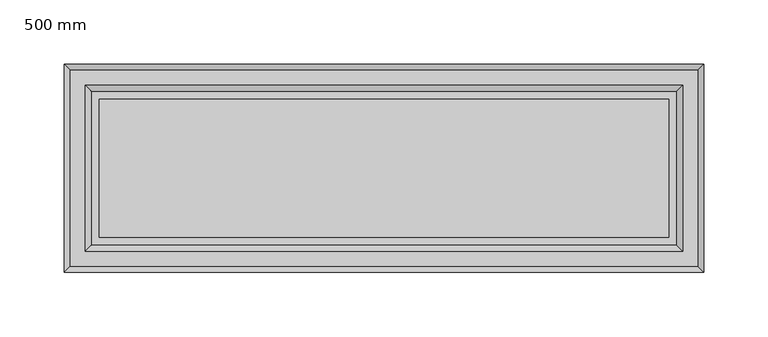
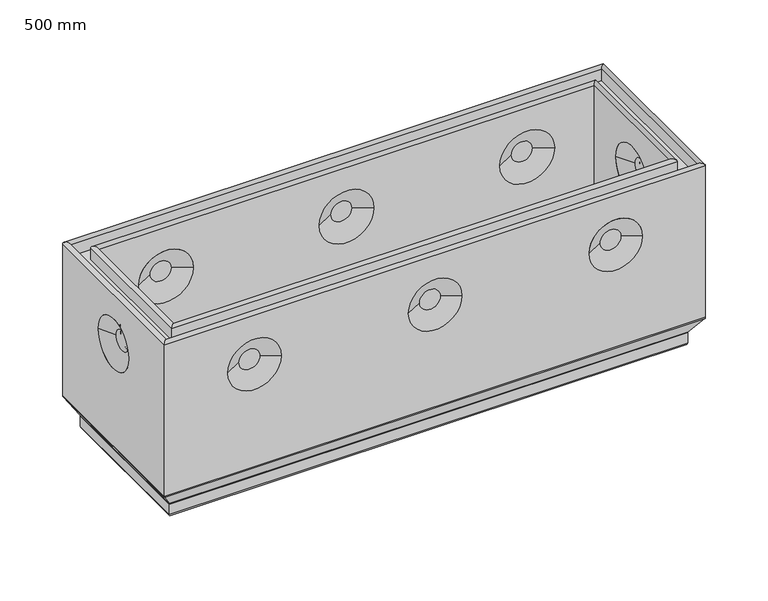
"""IFC4 building model written with IfcOpenShell, lengths in millimetres: proxy geometry, 500 mm."""

from ifc_helpers import new_model, si_unit, frame, origin, place, context, project, spatial, polyline, circle_curve, ellipse_curve, outline, extrude, source, transform, mapped, element, save
from ifc_brep_helpers import plane_surface, cylinder_surface, revolved_surface, advanced_brep


def proxy_500_mm_c5fd5a8e(model_context):
    return source(origin(), model_context, "Body", "SolidModel", [
        advanced_brep(
        [(471.9583184, 53.5563946, 0.0), (471.9583184, 53.5563946, -18.8303869), (471.9583184, -53.9583184, -18.8303869), (471.9583184, -53.9583184, 0.0), (478.4019238, 60.0, 159.4090799), (478.4019238, 60.0, 0.0), (478.4019238, -60.4019238, 0.0), (478.4019238, -60.4019238, 159.4090799), (478.4019238, -25.4516455, 111.3137619), (478.4019238, 25.0497217, 111.3137619), (482.9119238, -64.9119238, 159.4090799), (482.9119238, 64.51, 159.4090799), (482.9119238, -64.9119238, 148.4640799), (482.9119238, 64.51, 148.4640799), (494.8919238, 76.49, 159.4094667), (494.8919238, 76.49, 148.4640799), (494.8919238, -76.8919238, 148.4640799), (494.8919238, -76.8919238, 159.4094667), (499.4019238, -81.4019238, 159.4094667), (499.4019238, 81.0, 159.4094667), (499.4019238, -81.4019238, 11.767597), (499.4019238, 81.0, 11.767597), (499.4019238, 24.1333103, 111.3137619), (499.4019238, -24.5352341, 111.3137619), (498.9320981, -80.9320981, 10.1556982), (498.9320981, 80.5301743, 10.1556982), (489.1932312, -71.1932312, -5.1312607), (489.1932312, 70.7913074, -5.1312607), (488.9583184, -70.9583184, -5.9372101), (488.9583184, 70.5563946, -5.9372101), (488.9583184, -70.9583184, -15.8303869), (488.9583184, 70.5563946, -15.8303869), (485.9583184, -67.9583184, -18.8303869), (485.9583184, 67.5563946, -18.8303869), (28.0416816, -53.9583184, -18.8303869), (28.0416816, -53.9583184, 0.0), (21.5980762, -60.4019238, 0.0), (21.5980762, -60.4019238, 159.4090799), (59.2359715, -60.4019238, 111.3137619), (108.2640285, -60.4019238, 111.3137619), (225.7359715, -60.4019238, 111.3137619), (274.7640285, -60.4019238, 111.3137619), (392.2359715, -60.4019238, 111.3137619), (441.2640285, -60.4019238, 111.3137619), (17.0880762, -64.9119238, 159.4090799), (17.0880762, -64.9119238, 148.4640799), (5.1080762, -76.8919238, 148.4640799), (5.1080762, -76.8919238, 159.4094667), (0.5980762, -81.4019238, 159.4094667), (0.5980762, -81.4019238, 11.767597), (108.3627216, -81.4019238, 111.3137619), (59.1372784, -81.4019238, 111.3137619), (274.8627216, -81.4019238, 111.3137619), (225.6372784, -81.4019238, 111.3137619), (441.3627216, -81.4019238, 111.3137619), (392.1372784, -81.4019238, 111.3137619), (1.0679019, -80.9320981, 10.1556982), (10.8067688, -71.1932312, -5.1312607), (11.0416816, -70.9583184, -5.9372101), (11.0416816, -70.9583184, -15.8303869), (14.0416816, -67.9583184, -18.8303869), (28.0416816, 53.5563946, -18.8303869), (28.0416816, 53.5563946, 0.0), (21.5980762, 60.0, 0.0), (21.5980762, 60.0, 159.4090799), (21.5980762, 25.0497217, 111.3137619), (21.5980762, -25.4516455, 111.3137619), (17.0880762, 64.51, 159.4090799), (17.0880762, 64.51, 148.4640799), (5.1080762, 76.49, 148.4640799), (5.1080762, 76.49, 159.4094667), (0.5980762, 81.0, 159.4094667), (0.5980762, 81.0, 11.767597), (0.5980762, -24.5352341, 111.3137619), (0.5980762, 24.1333103, 111.3137619), (1.0679019, 80.5301743, 10.1556982), (10.8067688, 70.7913074, -5.1312607), (11.0416816, 70.5563946, -5.9372101), (11.0416816, 70.5563946, -15.8303869), (14.0416816, 67.5563946, -18.8303869), (109.0006836, 60.0, 111.3137619), (58.4993164, 60.0, 111.3137619), (275.5006836, 60.0, 111.3137619), (224.9993164, 60.0, 111.3137619), (442.0006836, 60.0, 111.3137619), (391.4993164, 60.0, 111.3137619), (59.4157278, 81.0, 111.3137619), (108.0842722, 81.0, 111.3137619), (225.9157278, 81.0, 111.3137619), (274.5842722, 81.0, 111.3137619), (392.4157278, 81.0, 111.3137619), (441.0842722, 81.0, 111.3137619), (74.1699511, 72.95, 111.3137619), (93.3300489, 72.95, 111.3137619), (74.1699511, -68.55, 111.3137619), (93.3300489, -68.55, 111.3137619), (240.6699511, 72.95, 111.3137619), (259.8300489, 72.95, 111.3137619), (240.6699511, -68.55, 111.3137619), (259.8300489, -68.55, 111.3137619), (407.1699511, 72.95, 111.3137619), (426.3300489, 72.95, 111.3137619), (407.1699511, -68.55, 111.3137619), (426.3300489, -68.55, 111.3137619), (74.1699511, 68.55, 111.3137619), (93.3300489, 68.55, 111.3137619), (240.6699511, 68.55, 111.3137619), (259.8300489, 68.55, 111.3137619), (407.1699511, 68.55, 111.3137619), (426.3300489, 68.55, 111.3137619), (74.1699511, -73.2, 111.3137619), (93.3300489, -73.2, 111.3137619), (240.6699511, -73.2, 111.3137619), (259.8300489, -73.2, 111.3137619), (407.1699511, -73.2, 111.3137619), (426.3300489, -73.2, 111.3137619), (8.6480762, -9.7810108, 111.3137619), (8.6480762, 9.379087, 111.3137619), (13.0480762, -9.7810108, 111.3137619), (13.0480762, 9.379087, 111.3137619), (491.3519238, -9.7810108, 111.3137619), (491.3519238, 9.379087, 111.3137619), (486.9519238, -9.7810108, 111.3137619), (486.9519238, 9.379087, 111.3137619)],
        [
            (0, 1),
            (1, 2),
            (2, 3),
            (3, 0),
            (4, 5),
            (5, 6),
            (6, 7),
            (7, 4),
            (8, 9, circle_curve(frame((478.4019238, -0.2009619, 111.3137619), z_axis=(1.0, 0.0, 0.0), x_axis=(0.0, 1.0, 0.0)), 25.2506836)),
            (9, 8, circle_curve(frame((478.4019238, -0.2009619, 111.3137619), z_axis=(1.0, 0.0, 0.0), x_axis=(0.0, -1.0, 0.0)), 25.2506836)),
            (7, 10, ellipse_curve(frame((480.6569238, -62.6569238, 159.4090799), z_axis=(0.7071067811865475, 0.7071067811865475, 0.0), x_axis=(-0.7071067811865474, 0.7071067811865476, 0.0)), 3.1890516, 2.255)),
            (10, 11),
            (11, 4, ellipse_curve(frame((480.6569238, 62.255, 159.4090799), z_axis=(0.7071067811865475, -0.7071067811865475, 0.0), x_axis=(0.7071067811865474, 0.7071067811865476, 0.0)), 3.1890516, 2.255)),
            (10, 12),
            (12, 13),
            (13, 11),
            (14, 15),
            (15, 16),
            (16, 17),
            (17, 14),
            (17, 18, ellipse_curve(frame((497.1469238, -79.1469238, 159.4094667), z_axis=(0.7071067811865475, 0.7071067811865475, 0.0), x_axis=(-0.7071067811865474, 0.7071067811865476, 0.0)), 3.1890516, 2.255)),
            (18, 19),
            (19, 14, ellipse_curve(frame((497.1469238, 78.745, 159.4094667), z_axis=(0.7071067811865475, -0.7071067811865475, 0.0), x_axis=(0.7071067811865474, 0.7071067811865476, 0.0)), 3.1890516, 2.255)),
            (18, 20),
            (20, 21),
            (21, 19),
            (22, 23, circle_curve(frame((499.4019238, -0.2009619, 111.3137619), z_axis=(-1.0, 0.0, 0.0), x_axis=(0.0, -1.0, 0.0)), 24.3342722)),
            (23, 22, circle_curve(frame((499.4019238, -0.2009619, 111.3137619), z_axis=(-1.0, 0.0, 0.0), x_axis=(0.0, 1.0, 0.0)), 24.3342722)),
            (20, 24, ellipse_curve(frame((496.4019238, -78.4019238, 11.767597), z_axis=(0.7071067811865475, 0.7071067811865475, 0.0), x_axis=(-0.7071067811865474, 0.7071067811865476, 0.0)), 4.2426407, 3.0)),
            (24, 25),
            (25, 21, ellipse_curve(frame((496.4019238, 78.0, 11.767597), z_axis=(0.7071067811865475, -0.7071067811865475, 0.0), x_axis=(0.7071067811865474, 0.7071067811865476, 0.0)), 4.2426407, 3.0)),
            (24, 26),
            (26, 27),
            (27, 25),
            (26, 28, ellipse_curve(frame((490.4583184, -72.4583184, -5.9372101), z_axis=(-0.7071067811865475, -0.7071067811865475, 0.0), x_axis=(0.7071067811865474, -0.7071067811865476, 0.0)), 2.1213203, 1.5)),
            (28, 29),
            (29, 27, ellipse_curve(frame((490.4583184, 72.0563946, -5.9372101), z_axis=(-0.7071067811865475, 0.7071067811865475, 0.0), x_axis=(-0.7071067811865474, -0.7071067811865476, 0.0)), 2.1213203, 1.5)),
            (28, 30),
            (30, 31),
            (31, 29),
            (30, 32, ellipse_curve(frame((485.9583184, -67.9583184, -15.8303869), z_axis=(0.7071067811865475, 0.7071067811865475, 0.0), x_axis=(-0.7071067811865474, 0.7071067811865476, 0.0)), 4.2426407, 3.0)),
            (32, 33),
            (33, 31, ellipse_curve(frame((485.9583184, 67.5563946, -15.8303869), z_axis=(0.7071067811865475, -0.7071067811865475, 0.0), x_axis=(0.7071067811865474, 0.7071067811865476, 0.0)), 4.2426407, 3.0)),
            (2, 34),
            (34, 35),
            (35, 3),
            (6, 36),
            (36, 37),
            (37, 7),
            (38, 39, circle_curve(frame((83.75, -60.4019238, 111.3137619), z_axis=(0.0, -1.0, 0.0), x_axis=(1.0, 0.0, 0.0)), 24.5140285)),
            (39, 38, circle_curve(frame((83.75, -60.4019238, 111.3137619), z_axis=(0.0, -1.0, 0.0), x_axis=(-1.0, 0.0, 0.0)), 24.5140285)),
            (40, 41, circle_curve(frame((250.25, -60.4019238, 111.3137619), z_axis=(0.0, -1.0, 0.0), x_axis=(1.0, 0.0, 0.0)), 24.5140285)),
            (41, 40, circle_curve(frame((250.25, -60.4019238, 111.3137619), z_axis=(0.0, -1.0, 0.0), x_axis=(-1.0, 0.0, 0.0)), 24.5140285)),
            (42, 43, circle_curve(frame((416.75, -60.4019238, 111.3137619), z_axis=(0.0, -1.0, 0.0), x_axis=(1.0, 0.0, 0.0)), 24.5140285)),
            (43, 42, circle_curve(frame((416.75, -60.4019238, 111.3137619), z_axis=(0.0, -1.0, 0.0), x_axis=(-1.0, 0.0, 0.0)), 24.5140285)),
            (37, 44, ellipse_curve(frame((19.3430762, -62.6569238, 159.4090799), z_axis=(0.7071067811865475, -0.7071067811865475, 0.0), x_axis=(0.7071067811865476, 0.7071067811865474, 0.0)), 3.1890516, 2.255)),
            (44, 10),
            (44, 45),
            (45, 12),
            (16, 46),
            (46, 47),
            (47, 17),
            (47, 48, ellipse_curve(frame((2.8530762, -79.1469238, 159.4094667), z_axis=(0.7071067811865475, -0.7071067811865475, 0.0), x_axis=(0.7071067811865476, 0.7071067811865474, 0.0)), 3.1890516, 2.255)),
            (48, 18),
            (48, 49),
            (49, 20),
            (50, 51, circle_curve(frame((83.75, -81.4019238, 111.3137619), z_axis=(0.0, 1.0, 0.0), x_axis=(-1.0, 0.0, 0.0)), 24.6127216)),
            (51, 50, circle_curve(frame((83.75, -81.4019238, 111.3137619), z_axis=(0.0, 1.0, 0.0), x_axis=(1.0, 0.0, 0.0)), 24.6127216)),
            (52, 53, circle_curve(frame((250.25, -81.4019238, 111.3137619), z_axis=(0.0, 1.0, 0.0), x_axis=(-1.0, 0.0, 0.0)), 24.6127216)),
            (53, 52, circle_curve(frame((250.25, -81.4019238, 111.3137619), z_axis=(0.0, 1.0, 0.0), x_axis=(1.0, 0.0, 0.0)), 24.6127216)),
            (54, 55, circle_curve(frame((416.75, -81.4019238, 111.3137619), z_axis=(0.0, 1.0, 0.0), x_axis=(-1.0, 0.0, 0.0)), 24.6127216)),
            (55, 54, circle_curve(frame((416.75, -81.4019238, 111.3137619), z_axis=(0.0, 1.0, 0.0), x_axis=(1.0, 0.0, 0.0)), 24.6127216)),
            (49, 56, ellipse_curve(frame((3.5980762, -78.4019238, 11.767597), z_axis=(0.7071067811865475, -0.7071067811865475, 0.0), x_axis=(0.7071067811865476, 0.7071067811865474, 0.0)), 4.2426407, 3.0)),
            (56, 24),
            (56, 57),
            (57, 26),
            (57, 58, ellipse_curve(frame((9.5416816, -72.4583184, -5.9372101), z_axis=(-0.7071067811865475, 0.7071067811865475, 0.0), x_axis=(-0.7071067811865476, -0.7071067811865474, 0.0)), 2.1213203, 1.5)),
            (58, 28),
            (58, 59),
            (59, 30),
            (59, 60, ellipse_curve(frame((14.0416816, -67.9583184, -15.8303869), z_axis=(0.7071067811865475, -0.7071067811865475, 0.0), x_axis=(0.7071067811865476, 0.7071067811865474, 0.0)), 4.2426407, 3.0)),
            (60, 32),
            (34, 61),
            (61, 62),
            (62, 35),
            (36, 63),
            (63, 64),
            (64, 37),
            (65, 66, circle_curve(frame((21.5980762, -0.2009619, 111.3137619), z_axis=(-1.0, 0.0, 0.0), x_axis=(0.0, -1.0, 0.0)), 25.2506836)),
            (66, 65, circle_curve(frame((21.5980762, -0.2009619, 111.3137619), z_axis=(-1.0, 0.0, 0.0), x_axis=(0.0, 1.0, 0.0)), 25.2506836)),
            (64, 67, ellipse_curve(frame((19.3430762, 62.255, 159.4090799), z_axis=(-0.7071067811865475, -0.7071067811865475, 0.0), x_axis=(0.7071067811865474, -0.7071067811865476, 0.0)), 3.1890516, 2.255)),
            (67, 44),
            (67, 68),
            (68, 45),
            (46, 69),
            (69, 70),
            (70, 47),
            (70, 71, ellipse_curve(frame((2.8530762, 78.745, 159.4094667), z_axis=(-0.7071067811865475, -0.7071067811865475, 0.0), x_axis=(0.7071067811865474, -0.7071067811865476, 0.0)), 3.1890516, 2.255)),
            (71, 48),
            (71, 72),
            (72, 49),
            (73, 74, circle_curve(frame((0.5980762, -0.2009619, 111.3137619), z_axis=(1.0, 0.0, 0.0), x_axis=(0.0, 1.0, 0.0)), 24.3342722)),
            (74, 73, circle_curve(frame((0.5980762, -0.2009619, 111.3137619), z_axis=(1.0, 0.0, 0.0), x_axis=(0.0, -1.0, 0.0)), 24.3342722)),
            (72, 75, ellipse_curve(frame((3.5980762, 78.0, 11.767597), z_axis=(-0.7071067811865475, -0.7071067811865475, 0.0), x_axis=(0.7071067811865474, -0.7071067811865476, 0.0)), 4.2426407, 3.0)),
            (75, 56),
            (75, 76),
            (76, 57),
            (76, 77, ellipse_curve(frame((9.5416816, 72.0563946, -5.9372101), z_axis=(0.7071067811865475, 0.7071067811865475, 0.0), x_axis=(-0.7071067811865474, 0.7071067811865476, 0.0)), 2.1213203, 1.5)),
            (77, 58),
            (77, 78),
            (78, 59),
            (78, 79, ellipse_curve(frame((14.0416816, 67.5563946, -15.8303869), z_axis=(-0.7071067811865475, -0.7071067811865475, 0.0), x_axis=(0.7071067811865474, -0.7071067811865476, 0.0)), 4.2426407, 3.0)),
            (79, 60),
            (0, 62),
            (61, 1),
            (5, 63),
            (4, 64),
            (80, 81, circle_curve(frame((83.75, 60.0, 111.3137619), z_axis=(0.0, 1.0, 0.0), x_axis=(-1.0, 0.0, 0.0)), 25.2506836)),
            (81, 80, circle_curve(frame((83.75, 60.0, 111.3137619), z_axis=(0.0, 1.0, 0.0), x_axis=(1.0, 0.0, 0.0)), 25.2506836)),
            (82, 83, circle_curve(frame((250.25, 60.0, 111.3137619), z_axis=(0.0, 1.0, 0.0), x_axis=(-1.0, 0.0, 0.0)), 25.2506836)),
            (83, 82, circle_curve(frame((250.25, 60.0, 111.3137619), z_axis=(0.0, 1.0, 0.0), x_axis=(1.0, 0.0, 0.0)), 25.2506836)),
            (84, 85, circle_curve(frame((416.75, 60.0, 111.3137619), z_axis=(0.0, 1.0, 0.0), x_axis=(-1.0, 0.0, 0.0)), 25.2506836)),
            (85, 84, circle_curve(frame((416.75, 60.0, 111.3137619), z_axis=(0.0, 1.0, 0.0), x_axis=(1.0, 0.0, 0.0)), 25.2506836)),
            (11, 67),
            (13, 68),
            (15, 69),
            (14, 70),
            (19, 71),
            (21, 72),
            (86, 87, circle_curve(frame((83.75, 81.0, 111.3137619), z_axis=(0.0, -1.0, 0.0), x_axis=(1.0, 0.0, 0.0)), 24.3342722)),
            (87, 86, circle_curve(frame((83.75, 81.0, 111.3137619), z_axis=(0.0, -1.0, 0.0), x_axis=(-1.0, 0.0, 0.0)), 24.3342722)),
            (88, 89, circle_curve(frame((250.25, 81.0, 111.3137619), z_axis=(0.0, -1.0, 0.0), x_axis=(1.0, 0.0, 0.0)), 24.3342722)),
            (89, 88, circle_curve(frame((250.25, 81.0, 111.3137619), z_axis=(0.0, -1.0, 0.0), x_axis=(-1.0, 0.0, 0.0)), 24.3342722)),
            (90, 91, circle_curve(frame((416.75, 81.0, 111.3137619), z_axis=(0.0, -1.0, 0.0), x_axis=(1.0, 0.0, 0.0)), 24.3342722)),
            (91, 90, circle_curve(frame((416.75, 81.0, 111.3137619), z_axis=(0.0, -1.0, 0.0), x_axis=(-1.0, 0.0, 0.0)), 24.3342722)),
            (25, 75),
            (27, 76),
            (29, 77),
            (31, 78),
            (33, 79),
            (92, 93, circle_curve(frame((83.75, 72.95, 111.3137619), z_axis=(0.0, 1.0, 0.0), x_axis=(-1.0, 0.0, 0.0)), 9.5800489)),
            (93, 92, circle_curve(frame((83.75, 72.95, 111.3137619), z_axis=(0.0, 1.0, 0.0), x_axis=(1.0, 0.0, 0.0)), 9.5800489)),
            (93, 87),
            (86, 92),
            (94, 95, circle_curve(frame((83.75, -68.55, 111.3137619), z_axis=(0.0, 1.0, 0.0), x_axis=(-1.0, 0.0, 0.0)), 9.5800489)),
            (95, 94, circle_curve(frame((83.75, -68.55, 111.3137619), z_axis=(0.0, 1.0, 0.0), x_axis=(1.0, 0.0, 0.0)), 9.5800489)),
            (95, 39),
            (38, 94),
            (96, 97, circle_curve(frame((250.25, 72.95, 111.3137619), z_axis=(0.0, 1.0, 0.0), x_axis=(-1.0, 0.0, 0.0)), 9.5800489)),
            (97, 96, circle_curve(frame((250.25, 72.95, 111.3137619), z_axis=(0.0, 1.0, 0.0), x_axis=(1.0, 0.0, 0.0)), 9.5800489)),
            (97, 89),
            (88, 96),
            (98, 99, circle_curve(frame((250.25, -68.55, 111.3137619), z_axis=(0.0, 1.0, 0.0), x_axis=(-1.0, 0.0, 0.0)), 9.5800489)),
            (99, 98, circle_curve(frame((250.25, -68.55, 111.3137619), z_axis=(0.0, 1.0, 0.0), x_axis=(1.0, 0.0, 0.0)), 9.5800489)),
            (99, 41),
            (40, 98),
            (100, 101, circle_curve(frame((416.75, 72.95, 111.3137619), z_axis=(0.0, 1.0, 0.0), x_axis=(-1.0, 0.0, 0.0)), 9.5800489)),
            (101, 100, circle_curve(frame((416.75, 72.95, 111.3137619), z_axis=(0.0, 1.0, 0.0), x_axis=(1.0, 0.0, 0.0)), 9.5800489)),
            (101, 91),
            (90, 100),
            (102, 103, circle_curve(frame((416.75, -68.55, 111.3137619), z_axis=(0.0, 1.0, 0.0), x_axis=(-1.0, 0.0, 0.0)), 9.5800489)),
            (103, 102, circle_curve(frame((416.75, -68.55, 111.3137619), z_axis=(0.0, 1.0, 0.0), x_axis=(1.0, 0.0, 0.0)), 9.5800489)),
            (103, 43),
            (42, 102),
            (104, 105, circle_curve(frame((83.75, 68.55, 111.3137619), z_axis=(0.0, -1.0, 0.0), x_axis=(-1.0, 0.0, 0.0)), 9.5800489)),
            (105, 104, circle_curve(frame((83.75, 68.55, 111.3137619), z_axis=(0.0, -1.0, 0.0), x_axis=(1.0, 0.0, 0.0)), 9.5800489)),
            (104, 81),
            (80, 105),
            (106, 107, circle_curve(frame((250.25, 68.55, 111.3137619), z_axis=(0.0, -1.0, 0.0), x_axis=(-1.0, 0.0, 0.0)), 9.5800489)),
            (107, 106, circle_curve(frame((250.25, 68.55, 111.3137619), z_axis=(0.0, -1.0, 0.0), x_axis=(1.0, 0.0, 0.0)), 9.5800489)),
            (106, 83),
            (82, 107),
            (108, 109, circle_curve(frame((416.75, 68.55, 111.3137619), z_axis=(0.0, -1.0, 0.0), x_axis=(-1.0, 0.0, 0.0)), 9.5800489)),
            (109, 108, circle_curve(frame((416.75, 68.55, 111.3137619), z_axis=(0.0, -1.0, 0.0), x_axis=(1.0, 0.0, 0.0)), 9.5800489)),
            (108, 85),
            (84, 109),
            (110, 111, circle_curve(frame((83.75, -73.2, 111.3137619), z_axis=(0.0, -1.0, 0.0), x_axis=(-1.0, 0.0, 0.0)), 9.5800489)),
            (111, 110, circle_curve(frame((83.75, -73.2, 111.3137619), z_axis=(0.0, -1.0, 0.0), x_axis=(1.0, 0.0, 0.0)), 9.5800489)),
            (110, 51),
            (50, 111),
            (112, 113, circle_curve(frame((250.25, -73.2, 111.3137619), z_axis=(0.0, -1.0, 0.0), x_axis=(-1.0, 0.0, 0.0)), 9.5800489)),
            (113, 112, circle_curve(frame((250.25, -73.2, 111.3137619), z_axis=(0.0, -1.0, 0.0), x_axis=(1.0, 0.0, 0.0)), 9.5800489)),
            (112, 53),
            (52, 113),
            (114, 115, circle_curve(frame((416.75, -73.2, 111.3137619), z_axis=(0.0, -1.0, 0.0), x_axis=(-1.0, 0.0, 0.0)), 9.5800489)),
            (115, 114, circle_curve(frame((416.75, -73.2, 111.3137619), z_axis=(0.0, -1.0, 0.0), x_axis=(1.0, 0.0, 0.0)), 9.5800489)),
            (114, 55),
            (54, 115),
            (116, 117, circle_curve(frame((8.6480762, -0.2009619, 111.3137619), z_axis=(-1.0, 0.0, 0.0), x_axis=(0.0, -1.0, 0.0)), 9.5800489)),
            (117, 116, circle_curve(frame((8.6480762, -0.2009619, 111.3137619), z_axis=(-1.0, 0.0, 0.0), x_axis=(0.0, 1.0, 0.0)), 9.5800489)),
            (117, 74),
            (73, 116),
            (118, 119, circle_curve(frame((13.0480762, -0.2009619, 111.3137619), z_axis=(1.0, 0.0, 0.0), x_axis=(0.0, -1.0, 0.0)), 9.5800489)),
            (119, 118, circle_curve(frame((13.0480762, -0.2009619, 111.3137619), z_axis=(1.0, 0.0, 0.0), x_axis=(0.0, 1.0, 0.0)), 9.5800489)),
            (118, 66),
            (65, 119),
            (120, 121, circle_curve(frame((491.3519238, -0.2009619, 111.3137619), z_axis=(1.0, 0.0, 0.0), x_axis=(0.0, -1.0, 0.0)), 9.5800489)),
            (121, 120, circle_curve(frame((491.3519238, -0.2009619, 111.3137619), z_axis=(1.0, 0.0, 0.0), x_axis=(0.0, 1.0, 0.0)), 9.5800489)),
            (120, 23),
            (22, 121),
            (122, 123, circle_curve(frame((486.9519238, -0.2009619, 111.3137619), z_axis=(-1.0, 0.0, 0.0), x_axis=(0.0, -1.0, 0.0)), 9.5800489)),
            (123, 122, circle_curve(frame((486.9519238, -0.2009619, 111.3137619), z_axis=(-1.0, 0.0, 0.0), x_axis=(0.0, 1.0, 0.0)), 9.5800489)),
            (123, 9),
            (8, 122),
        ],
        [
            plane_surface(frame((471.9583184, 53.5563946, -18.8303869), z_axis=(-1.0, 0.0, 0.0), x_axis=(0.0, -1.0, 0.0))),
            plane_surface(frame((478.4019238, 60.0, 0.0), z_axis=(-1.0, 0.0, 0.0), x_axis=(0.0, -1.0, 0.0))),
            cylinder_surface(frame((480.6569238, 60.0980762, 159.4090799), z_axis=(0.0, 1.0, 0.0), x_axis=(1.0, 0.0, 0.0)), 2.255),
            plane_surface(frame((482.9119238, 64.51, 159.4090799), z_axis=(1.0, 0.0, 0.0), x_axis=(0.0, -1.0, 0.0))),
            plane_surface(frame((494.8919238, 76.49, 148.4640799), z_axis=(-1.0, 0.0, 0.0), x_axis=(0.0, -1.0, 0.0))),
            cylinder_surface(frame((497.1469238, 60.0980762, 159.4094667), z_axis=(0.0, 1.0, 0.0), x_axis=(1.0, 0.0, 0.0)), 2.255),
            plane_surface(frame((499.4019238, 81.0, 159.4094667), z_axis=(1.0, 0.0, 0.0), x_axis=(0.0, -1.0, 0.0))),
            cylinder_surface(frame((496.4019238, 60.0980762, 11.767597), z_axis=(0.0, 1.0, 0.0), x_axis=(1.0, 0.0, 0.0)), 3.0),
            plane_surface(frame((498.9320981, 80.5301743, 10.1556982), z_axis=(0.8433914458128816, 0.0, -0.5372996083468303), x_axis=(0.0, -1.0, 0.0))),
            revolved_surface(polyline([(491.9583184, -73.95831836919868, -5.9372101), (491.9583184, 73.55639456919869, -5.9372101)]), (490.4583184, 60.0980762, -5.9372101), (0.0, -1.0, 0.0)),
            plane_surface(frame((488.9583184, 70.5563946, -5.9372101), z_axis=(1.0, 0.0, 0.0), x_axis=(0.0, -1.0, 0.0))),
            cylinder_surface(frame((485.9583184, 60.0980762, -15.8303869), z_axis=(0.0, 1.0, 0.0), x_axis=(1.0, 0.0, 0.0)), 3.0),
            plane_surface(frame((471.9583184, -53.9583184, -18.8303869), z_axis=(0.0, 1.0, 0.0), x_axis=(-1.0, 0.0, 0.0))),
            plane_surface(frame((478.4019238, -60.4019238, 0.0), z_axis=(0.0, 1.0, 0.0), x_axis=(-1.0, 0.0, 0.0))),
            cylinder_surface(frame((478.5, -62.6569238, 159.4090799), z_axis=(1.0, 0.0, 0.0), x_axis=(0.0, -1.0, 0.0)), 2.255),
            plane_surface(frame((482.9119238, -64.9119238, 159.4090799), z_axis=(0.0, -1.0, 0.0), x_axis=(-1.0, 0.0, 0.0))),
            plane_surface(frame((494.8919238, -76.8919238, 148.4640799), z_axis=(0.0, 1.0, 0.0), x_axis=(-1.0, 0.0, 0.0))),
            cylinder_surface(frame((478.5, -79.1469238, 159.4094667), z_axis=(1.0, 0.0, 0.0), x_axis=(0.0, -1.0, 0.0)), 2.255),
            plane_surface(frame((499.4019238, -81.4019238, 159.4094667), z_axis=(0.0, -1.0, 0.0), x_axis=(-1.0, 0.0, 0.0))),
            cylinder_surface(frame((478.5, -78.4019238, 11.767597), z_axis=(1.0, 0.0, 0.0), x_axis=(0.0, -1.0, 0.0)), 3.0),
            plane_surface(frame((498.9320981, -80.9320981, 10.1556982), z_axis=(0.0, -0.8433914458128816, -0.5372996083468303), x_axis=(-1.0, 0.0, 0.0))),
            revolved_surface(polyline([(8.04168163080135, -73.9583184, -5.9372101), (491.95831836919865, -73.9583184, -5.9372101)]), (478.5, -72.4583184, -5.9372101), (-1.0, 0.0, 0.0)),
            plane_surface(frame((488.9583184, -70.9583184, -5.9372101), z_axis=(0.0, -1.0, 0.0), x_axis=(-1.0, 0.0, 0.0))),
            cylinder_surface(frame((478.5, -67.9583184, -15.8303869), z_axis=(1.0, 0.0, 0.0), x_axis=(0.0, -1.0, 0.0)), 3.0),
            plane_surface(frame((28.0416816, -53.9583184, -18.8303869), z_axis=(1.0, 0.0, 0.0), x_axis=(0.0, 1.0, 0.0))),
            plane_surface(frame((21.5980762, -60.4019238, 0.0), z_axis=(1.0, 0.0, 0.0), x_axis=(0.0, 1.0, 0.0))),
            cylinder_surface(frame((19.3430762, -60.5, 159.4090799), z_axis=(0.0, -1.0, 0.0), x_axis=(-1.0, 0.0, 0.0)), 2.255),
            plane_surface(frame((17.0880762, -64.9119238, 159.4090799), z_axis=(-1.0, 0.0, 0.0), x_axis=(0.0, 1.0, 0.0))),
            plane_surface(frame((5.1080762, -76.8919238, 148.4640799), z_axis=(1.0, 0.0, 0.0), x_axis=(0.0, 1.0, 0.0))),
            cylinder_surface(frame((2.8530762, -60.5, 159.4094667), z_axis=(0.0, -1.0, 0.0), x_axis=(-1.0, 0.0, 0.0)), 2.255),
            plane_surface(frame((0.5980762, -81.4019238, 159.4094667), z_axis=(-1.0, 0.0, 0.0), x_axis=(0.0, 1.0, 0.0))),
            cylinder_surface(frame((3.5980762, -60.5, 11.767597), z_axis=(0.0, -1.0, 0.0), x_axis=(-1.0, 0.0, 0.0)), 3.0),
            plane_surface(frame((1.0679019, -80.9320981, 10.1556982), z_axis=(-0.8433914458128816, 0.0, -0.5372996083468303), x_axis=(0.0, 1.0, 0.0))),
            revolved_surface(polyline([(8.0416816, 73.55639456919869, -5.9372101), (8.0416816, -73.95831836919868, -5.9372101)]), (9.5416816, -60.5, -5.9372101), (0.0, 1.0, 0.0)),
            plane_surface(frame((11.0416816, -70.9583184, -5.9372101), z_axis=(-1.0, 0.0, 0.0), x_axis=(0.0, 1.0, 0.0))),
            cylinder_surface(frame((14.0416816, -60.5, -15.8303869), z_axis=(0.0, -1.0, 0.0), x_axis=(-1.0, 0.0, 0.0)), 3.0),
            plane_surface(frame((28.0416816, 53.5563946, -18.8303869), z_axis=(0.0, -1.0, 0.0), x_axis=(1.0, 0.0, 0.0))),
            plane_surface(frame((28.0416816, 53.5563946, 0.0), z_axis=(0.0, 0.0, 1.0), x_axis=(1.0, 0.0, 0.0))),
            plane_surface(frame((21.5980762, 60.0, 0.0), z_axis=(0.0, -1.0, 0.0), x_axis=(1.0, 0.0, 0.0))),
            cylinder_surface(frame((21.5, 62.255, 159.4090799), z_axis=(-1.0, 0.0, 0.0), x_axis=(0.0, 1.0, 0.0)), 2.255),
            plane_surface(frame((17.0880762, 64.51, 159.4090799), z_axis=(0.0, 1.0, 0.0), x_axis=(1.0, 0.0, 0.0))),
            plane_surface(frame((17.0880762, 64.51, 148.4640799), z_axis=(0.0, 0.0, 1.0), x_axis=(1.0, 0.0, 0.0))),
            plane_surface(frame((5.1080762, 76.49, 148.4640799), z_axis=(0.0, -1.0, 0.0), x_axis=(1.0, 0.0, 0.0))),
            cylinder_surface(frame((21.5, 78.745, 159.4094667), z_axis=(-1.0, 0.0, 0.0), x_axis=(0.0, 1.0, 0.0)), 2.255),
            plane_surface(frame((0.5980762, 81.0, 159.4094667), z_axis=(0.0, 1.0, 0.0), x_axis=(1.0, 0.0, 0.0))),
            cylinder_surface(frame((21.5, 78.0, 11.767597), z_axis=(-1.0, 0.0, 0.0), x_axis=(0.0, 1.0, 0.0)), 3.0),
            plane_surface(frame((1.0679019, 80.5301743, 10.1556982), z_axis=(0.0, 0.8433914458128816, -0.5372996083468303), x_axis=(1.0, 0.0, 0.0))),
            revolved_surface(polyline([(491.95831836919865, 73.5563946, -5.9372101), (8.04168163080132, 73.5563946, -5.9372101)]), (21.5, 72.0563946, -5.9372101), (1.0, 0.0, 0.0)),
            plane_surface(frame((11.0416816, 70.5563946, -5.9372101), z_axis=(0.0, 1.0, 0.0), x_axis=(1.0, 0.0, 0.0))),
            cylinder_surface(frame((21.5, 67.5563946, -15.8303869), z_axis=(-1.0, 0.0, 0.0), x_axis=(0.0, 1.0, 0.0)), 3.0),
            plane_surface(frame((14.0416816, 67.5563946, -18.8303869), z_axis=(0.0, 0.0, -1.0), x_axis=(1.0, 0.0, 0.0))),
            plane_surface(frame((83.75, 72.95, 111.3137619), z_axis=(0.0, 1.0, 0.0), x_axis=(0.0, 0.0, 1.0))),
            revolved_surface(polyline([(108.0842722, 81.0, 111.3137619), (93.33004894162178, 72.95, 111.3137619)]), (83.75, 67.7230631, 111.3137619), (0.0, 1.0, 0.0)),
            revolved_surface(polyline([(59.4157278, 81.0, 111.3137619), (74.16995105837822, 72.95, 111.3137619)]), (83.75, 67.7230631, 111.3137619), (0.0, 1.0, 0.0)),
            plane_surface(frame((83.75, -68.55, 111.3137619), z_axis=(0.0, 1.0, 0.0), x_axis=(0.0, 0.0, 1.0))),
            revolved_surface(polyline([(108.2640285, -60.4019238, 111.3137619), (93.33004894472228, -68.55, 111.3137619)]), (83.75, -73.7769369, 111.3137619), (0.0, 1.0, 0.0)),
            revolved_surface(polyline([(59.2359715, -60.4019238, 111.3137619), (74.16995105527772, -68.55, 111.3137619)]), (83.75, -73.7769369, 111.3137619), (0.0, 1.0, 0.0)),
            plane_surface(frame((250.25, 72.95, 111.3137619), z_axis=(0.0, 1.0, 0.0), x_axis=(0.0, 0.0, 1.0))),
            revolved_surface(polyline([(274.5842722, 81.0, 111.3137619), (259.8300489416218, 72.95, 111.3137619)]), (250.25, 67.7230631, 111.3137619), (0.0, 1.0, 0.0)),
            revolved_surface(polyline([(225.9157278, 81.0, 111.3137619), (240.66995105837822, 72.95, 111.3137619)]), (250.25, 67.7230631, 111.3137619), (0.0, 1.0, 0.0)),
            plane_surface(frame((250.25, -68.55, 111.3137619), z_axis=(0.0, 1.0, 0.0), x_axis=(0.0, 0.0, 1.0))),
            revolved_surface(polyline([(274.7640285, -60.4019238, 111.3137619), (259.83004894472225, -68.55, 111.3137619)]), (250.25, -73.7769369, 111.3137619), (0.0, 1.0, 0.0)),
            revolved_surface(polyline([(225.7359715, -60.4019238, 111.3137619), (240.66995105527772, -68.55, 111.3137619)]), (250.25, -73.7769369, 111.3137619), (0.0, 1.0, 0.0)),
            plane_surface(frame((416.75, 72.95, 111.3137619), z_axis=(0.0, 1.0, 0.0), x_axis=(0.0, 0.0, 1.0))),
            revolved_surface(polyline([(441.0842722, 81.0, 111.3137619), (426.3300489416218, 72.95, 111.3137619)]), (416.75, 67.7230631, 111.3137619), (0.0, 1.0, 0.0)),
            revolved_surface(polyline([(392.4157278, 81.0, 111.3137619), (407.1699510583782, 72.95, 111.3137619)]), (416.75, 67.7230631, 111.3137619), (0.0, 1.0, 0.0)),
            plane_surface(frame((416.75, -68.55, 111.3137619), z_axis=(0.0, 1.0, 0.0), x_axis=(0.0, 0.0, 1.0))),
            revolved_surface(polyline([(441.2640285, -60.4019238, 111.3137619), (426.33004894472225, -68.55, 111.3137619)]), (416.75, -73.7769369, 111.3137619), (0.0, 1.0, 0.0)),
            revolved_surface(polyline([(392.2359715, -60.4019238, 111.3137619), (407.16995105527775, -68.55, 111.3137619)]), (416.75, -73.7769369, 111.3137619), (0.0, 1.0, 0.0)),
            plane_surface(frame((83.75, 68.55, 111.3137619), z_axis=(0.0, -1.0, 0.0), x_axis=(0.0, 0.0, -1.0))),
            revolved_surface(polyline([(58.4993164, 60.0, 111.3137619), (74.16995105174178, 68.55, 111.3137619)]), (83.75, 73.7769369, 111.3137619), (0.0, -1.0, 0.0)),
            revolved_surface(polyline([(109.0006836, 60.0, 111.3137619), (93.33004894825822, 68.55, 111.3137619)]), (83.75, 73.7769369, 111.3137619), (0.0, -1.0, 0.0)),
            plane_surface(frame((250.25, 68.55, 111.3137619), z_axis=(0.0, -1.0, 0.0), x_axis=(0.0, 0.0, -1.0))),
            revolved_surface(polyline([(224.9993164, 60.0, 111.3137619), (240.66995105174178, 68.55, 111.3137619)]), (250.25, 73.7769369, 111.3137619), (0.0, -1.0, 0.0)),
            revolved_surface(polyline([(275.5006836, 60.0, 111.3137619), (259.8300489482582, 68.55, 111.3137619)]), (250.25, 73.7769369, 111.3137619), (0.0, -1.0, 0.0)),
            plane_surface(frame((416.75, 68.55, 111.3137619), z_axis=(0.0, -1.0, 0.0), x_axis=(0.0, 0.0, -1.0))),
            revolved_surface(polyline([(391.4993164, 60.0, 111.3137619), (407.1699510517418, 68.55, 111.3137619)]), (416.75, 73.7769369, 111.3137619), (0.0, -1.0, 0.0)),
            revolved_surface(polyline([(442.0006836, 60.0, 111.3137619), (426.3300489482582, 68.55, 111.3137619)]), (416.75, 73.7769369, 111.3137619), (0.0, -1.0, 0.0)),
            plane_surface(frame((83.75, -73.2, 111.3137619), z_axis=(0.0, -1.0, 0.0), x_axis=(0.0, 0.0, -1.0))),
            revolved_surface(polyline([(59.1372784, -81.4019238, 111.3137619), (74.16995105806205, -73.2, 111.3137619)]), (83.75, -67.9730631, 111.3137619), (0.0, -1.0, 0.0)),
            revolved_surface(polyline([(108.3627216, -81.4019238, 111.3137619), (93.33004894193795, -73.2, 111.3137619)]), (83.75, -67.9730631, 111.3137619), (0.0, -1.0, 0.0)),
            plane_surface(frame((250.25, -73.2, 111.3137619), z_axis=(0.0, -1.0, 0.0), x_axis=(0.0, 0.0, -1.0))),
            revolved_surface(polyline([(225.6372784, -81.4019238, 111.3137619), (240.66995105806205, -73.2, 111.3137619)]), (250.25, -67.9730631, 111.3137619), (0.0, -1.0, 0.0)),
            revolved_surface(polyline([(274.8627216, -81.4019238, 111.3137619), (259.83004894193795, -73.2, 111.3137619)]), (250.25, -67.9730631, 111.3137619), (0.0, -1.0, 0.0)),
            plane_surface(frame((416.75, -73.2, 111.3137619), z_axis=(0.0, -1.0, 0.0), x_axis=(0.0, 0.0, -1.0))),
            revolved_surface(polyline([(392.1372784, -81.4019238, 111.3137619), (407.16995105806205, -73.2, 111.3137619)]), (416.75, -67.9730631, 111.3137619), (0.0, -1.0, 0.0)),
            revolved_surface(polyline([(441.3627216, -81.4019238, 111.3137619), (426.33004894193795, -73.2, 111.3137619)]), (416.75, -67.9730631, 111.3137619), (0.0, -1.0, 0.0)),
            plane_surface(frame((8.6480762, -0.2009619, 111.3137619), z_axis=(-1.0, 0.0, 0.0), x_axis=(0.0, 0.0, 1.0))),
            revolved_surface(polyline([(0.5980761999999995, 24.1333103, 111.3137619), (8.6480762, 9.379087041621782, 111.3137619)]), (13.8750131, -0.2009619, 111.3137619), (-1.0, 0.0, 0.0)),
            revolved_surface(polyline([(0.5980761999999995, -24.5352341, 111.3137619), (8.6480762, -9.78101084162178, 111.3137619)]), (13.8750131, -0.2009619, 111.3137619), (-1.0, 0.0, 0.0)),
            plane_surface(frame((13.0480762, -0.2009619, 111.3137619), z_axis=(1.0, 0.0, 0.0), x_axis=(0.0, 0.0, -1.0))),
            revolved_surface(polyline([(21.5980762, -25.4516455, 111.3137619), (13.0480762, -9.781010848258218, 111.3137619)]), (7.8211393, -0.2009619, 111.3137619), (1.0, 0.0, 0.0)),
            revolved_surface(polyline([(21.5980762, 25.0497217, 111.3137619), (13.0480762, 9.379087048258219, 111.3137619)]), (7.8211393, -0.2009619, 111.3137619), (1.0, 0.0, 0.0)),
            plane_surface(frame((491.3519238, -0.2009619, 111.3137619), z_axis=(1.0, 0.0, 0.0), x_axis=(0.0, 0.0, -1.0))),
            revolved_surface(polyline([(499.4019238, -24.5352341, 111.3137619), (491.3519238, -9.781010841621772, 111.3137619)]), (486.1249869, -0.2009619, 111.3137619), (1.0, 0.0, 0.0)),
            revolved_surface(polyline([(499.4019238, 24.1333103, 111.3137619), (491.3519238, 9.379087041621773, 111.3137619)]), (486.1249869, -0.2009619, 111.3137619), (1.0, 0.0, 0.0)),
            plane_surface(frame((486.9519238, -0.2009619, 111.3137619), z_axis=(-1.0, 0.0, 0.0), x_axis=(0.0, 0.0, 1.0))),
            revolved_surface(polyline([(478.4019238, 25.0497217, 111.3137619), (486.9519238, 9.379087048258247, 111.3137619)]), (492.1788607, -0.2009619, 111.3137619), (-1.0, 0.0, 0.0)),
            revolved_surface(polyline([(478.4019238, -25.4516455, 111.3137619), (486.9519238, -9.781010848258248, 111.3137619)]), (492.1788607, -0.2009619, 111.3137619), (-1.0, 0.0, 0.0)),
        ],
        [
            (0, [[1, 2, 3, 4]]),
            (1, [[5, 6, 7, 8], [9, 10]]),
            (2, [[-8, 11, 12, 13]]),
            (3, [[-12, 14, 15, 16]]),
            (4, [[17, 18, 19, 20]]),
            (5, [[-20, 21, 22, 23]]),
            (6, [[-22, 24, 25, 26], [27, 28]]),
            (7, [[-25, 29, 30, 31]]),
            (8, [[-30, 32, 33, 34]]),
            (9, [[-33, 35, 36, 37]]),
            (10, [[-36, 38, 39, 40]]),
            (11, [[-39, 41, 42, 43]]),
            (12, [[-3, 44, 45, 46]]),
            (13, [[-7, 47, 48, 49], [50, 51], [52, 53], [54, 55]]),
            (14, [[-11, -49, 56, 57]]),
            (15, [[-14, -57, 58, 59]]),
            (16, [[-19, 60, 61, 62]]),
            (17, [[-21, -62, 63, 64]]),
            (18, [[-24, -64, 65, 66], [67, 68], [69, 70], [71, 72]]),
            (19, [[-29, -66, 73, 74]]),
            (20, [[-32, -74, 75, 76]]),
            (21, [[-35, -76, 77, 78]]),
            (22, [[-38, -78, 79, 80]]),
            (23, [[-41, -80, 81, 82]]),
            (24, [[-45, 83, 84, 85]]),
            (25, [[-48, 86, 87, 88], [89, 90]]),
            (26, [[-56, -88, 91, 92]]),
            (27, [[-58, -92, 93, 94]]),
            (28, [[-61, 95, 96, 97]]),
            (29, [[-63, -97, 98, 99]]),
            (30, [[-65, -99, 100, 101], [102, 103]]),
            (31, [[-73, -101, 104, 105]]),
            (32, [[-75, -105, 106, 107]]),
            (33, [[-77, -107, 108, 109]]),
            (34, [[-79, -109, 110, 111]]),
            (35, [[-81, -111, 112, 113]]),
            (36, [[-1, 114, -84, 115]]),
            (37, [[-6, 116, -86, -47], [-4, -46, -85, -114]]),
            (38, [[-5, 117, -87, -116], [118, 119], [120, 121], [122, 123]]),
            (39, [[-13, 124, -91, -117]]),
            (40, [[-16, 125, -93, -124]]),
            (41, [[-18, 126, -95, -60], [-15, -59, -94, -125]]),
            (42, [[-17, 127, -96, -126]]),
            (43, [[-23, 128, -98, -127]]),
            (44, [[-26, 129, -100, -128], [130, 131], [132, 133], [134, 135]]),
            (45, [[-31, 136, -104, -129]]),
            (46, [[-34, 137, -106, -136]]),
            (47, [[-37, 138, -108, -137]]),
            (48, [[-40, 139, -110, -138]]),
            (49, [[-43, 140, -112, -139]]),
            (50, [[-42, -82, -113, -140], [-2, -115, -83, -44]]),
            (51, [[141, 142]]),
            (52, [[-142, 143, -130, 144]]),
            (53, [[-141, -144, -131, -143]]),
            (54, [[145, 146]]),
            (55, [[-146, 147, -50, 148]]),
            (56, [[-145, -148, -51, -147]]),
            (57, [[149, 150]]),
            (58, [[-150, 151, -132, 152]]),
            (59, [[-149, -152, -133, -151]]),
            (60, [[153, 154]]),
            (61, [[-154, 155, -52, 156]]),
            (62, [[-153, -156, -53, -155]]),
            (63, [[157, 158]]),
            (64, [[-158, 159, -134, 160]]),
            (65, [[-157, -160, -135, -159]]),
            (66, [[161, 162]]),
            (67, [[-162, 163, -54, 164]]),
            (68, [[-161, -164, -55, -163]]),
            (69, [[165, 166]]),
            (70, [[-165, 167, -118, 168]]),
            (71, [[-166, -168, -119, -167]]),
            (72, [[169, 170]]),
            (73, [[-169, 171, -120, 172]]),
            (74, [[-170, -172, -121, -171]]),
            (75, [[173, 174]]),
            (76, [[-173, 175, -122, 176]]),
            (77, [[-174, -176, -123, -175]]),
            (78, [[177, 178]]),
            (79, [[-177, 179, -67, 180]]),
            (80, [[-178, -180, -68, -179]]),
            (81, [[181, 182]]),
            (82, [[-181, 183, -69, 184]]),
            (83, [[-182, -184, -70, -183]]),
            (84, [[185, 186]]),
            (85, [[-185, 187, -71, 188]]),
            (86, [[-186, -188, -72, -187]]),
            (87, [[189, 190]]),
            (88, [[-190, 191, -102, 192]]),
            (89, [[-189, -192, -103, -191]]),
            (90, [[193, 194]]),
            (91, [[-193, 195, -89, 196]]),
            (92, [[-194, -196, -90, -195]]),
            (93, [[197, 198]]),
            (94, [[-197, 199, -27, 200]]),
            (95, [[-198, -200, -28, -199]]),
            (96, [[201, 202]]),
            (97, [[-202, 203, -9, 204]]),
            (98, [[-201, -204, -10, -203]]),
        ],
    ),
        extrude(outline(polyline([(471.9583184, 53.5563946), (471.9583184, -53.9583184), (28.0416816, -53.9583184), (28.0416816, 53.5563946), (471.9583184, 53.5563946)])), frame((0.0, 0.0, -17.3303869), z_axis=(0.0, 0.0, 1.0), x_axis=(1.0, 0.0, 0.0)), (0.0, 0.0, 1.0), 17.3303869),
        extrude(outline(polyline([(401.75, -47.75), (399.75, -47.75), (399.75, 47.25), (401.75, 47.25), (401.75, -47.75)])), frame((0.0, 0.0, -26.8303869), z_axis=(0.0, 0.0, 1.0), x_axis=(1.0, 0.0, 0.0)), (0.0, 0.0, 1.0), 9.5),
        extrude(outline(polyline([(433.75, -47.75), (431.75, -47.75), (431.75, 47.25), (433.75, 47.25), (433.75, -47.75)])), frame((0.0, 0.0, -29.1940506), z_axis=(0.0, 0.0, 1.0), x_axis=(1.0, 0.0, 0.0)), (0.0, 0.0, 1.0), 10.1940506),
        extrude(outline(polyline([(235.25, -47.75), (233.25, -47.75), (233.25, 47.25), (235.25, 47.25), (235.25, -47.75)])), frame((0.0, 0.0, -26.8303869), z_axis=(0.0, 0.0, 1.0), x_axis=(1.0, 0.0, 0.0)), (0.0, 0.0, 1.0), 9.5),
        extrude(outline(polyline([(267.25, -47.75), (265.25, -47.75), (265.25, 47.25), (267.25, 47.25), (267.25, -47.75)])), frame((0.0, 0.0, -29.1940506), z_axis=(0.0, 0.0, 1.0), x_axis=(1.0, 0.0, 0.0)), (0.0, 0.0, 1.0), 10.1940506),
        extrude(outline(polyline([(68.75, -47.75), (66.75, -47.75), (66.75, 47.25), (68.75, 47.25), (68.75, -47.75)])), frame((0.0, 0.0, -26.8303869), z_axis=(0.0, 0.0, 1.0), x_axis=(1.0, 0.0, 0.0)), (0.0, 0.0, 1.0), 9.5),
        extrude(outline(polyline([(100.75, -47.75), (98.75, -47.75), (98.75, 47.25), (100.75, 47.25), (100.75, -47.75)])), frame((0.0, 0.0, -29.1940506), z_axis=(0.0, 0.0, 1.0), x_axis=(1.0, 0.0, 0.0)), (0.0, 0.0, 1.0), 10.1940506),
    ])


if __name__ == "__main__":
    model = new_model("IFC4")
    model_context = context("Model", 3, world=origin())
    ifc_project = project(units=[si_unit("LENGTHUNIT", "METRE", prefix="MILLI")], contexts=[model_context])
    site = spatial("IfcSite", under=ifc_project)
    building = spatial("IfcBuilding", under=site)
    placement = place(None, origin())
    proxy_500_mm_shape = proxy_500_mm_c5fd5a8e(model_context)
    element("IfcBuildingElementProxy", 1, Name="500 mm", ObjectType="500 mm", at=placement, inside=building, context=model_context, shape_type="MappedRepresentation", body=[
        mapped(proxy_500_mm_shape, transform((0.0, 0.0, 0.0), x_axis=(1.0, 0.0, 0.0), y_axis=(0.0, 1.0, 0.0), z_axis=(0.0, 0.0, 1.0))),
    ])
    save(model, "model.ifc")
